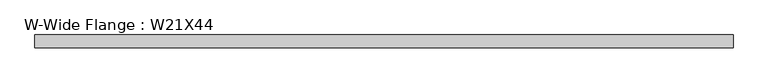
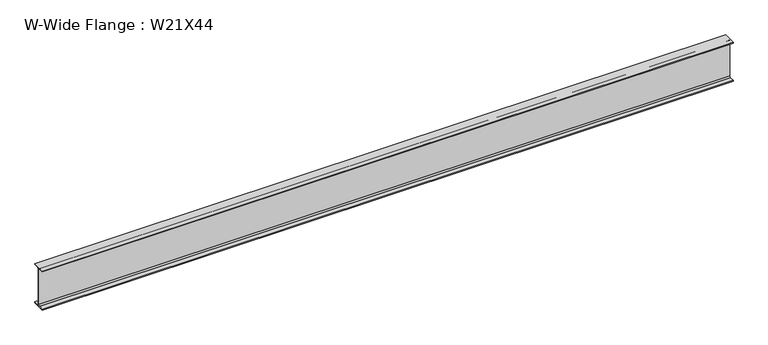
"""IFC4 building model written with IfcOpenShell, lengths in millimetres: beam geometry, W-Wide Flange : W21X44."""

from ifc_helpers import new_model, si_unit, point, frame, frame_2d, origin, place, context, project, spatial, polyline, circle_curve, trimmed, segment, composite_curve, outline, extrude, source, transform, mapped, element, save


def w_wide_flange_w21x44_659b5c2a(model_context):
    return source(origin(), model_context, "Body", "SweptSolid", [
        extrude(outline(composite_curve([segment(polyline([(82.55, -251.4699219), (82.55, -262.8800781), (-82.55, -262.8800781), (-82.55, -251.4699219), (-21.6296875, -251.4699219)]), True, "CONTINUOUS"), segment(trimmed(circle_curve(frame_2d((-21.6296875, -234.3050781)), 17.1648437), [point((-21.6296875, -251.4699219))], [point((-4.4648438, -234.3050781))], True, "CARTESIAN"), True, "CONTINUOUS"), segment(polyline([(-4.4648438, -234.3050781), (-4.4648438, 234.3050781)]), True, "CONTINUOUS"), segment(trimmed(circle_curve(frame_2d((-21.6296875, 234.3050781)), 17.1648437), [point((-4.4648438, 234.3050781))], [point((-21.6296875, 251.4699219))], True, "CARTESIAN"), True, "CONTINUOUS"), segment(polyline([(-21.6296875, 251.4699219), (-82.55, 251.4699219), (-82.55, 262.8800781), (82.55, 262.8800781), (82.55, 251.4699219), (21.6296875, 251.4699219)]), True, "CONTINUOUS"), segment(trimmed(circle_curve(frame_2d((21.6296875, 234.3050781)), 17.1648437), [point((21.6296875, 251.4699219))], [point((4.4648437, 234.3050781))], True, "CARTESIAN"), True, "CONTINUOUS"), segment(polyline([(4.4648437, 234.3050781), (4.4648437, -234.3050781)]), True, "CONTINUOUS"), segment(trimmed(circle_curve(frame_2d((21.6296875, -234.3050781)), 17.1648437), [point((4.4648437, -234.3050781))], [point((21.6296875, -251.4699219))], True, "CARTESIAN"), True, "CONTINUOUS"), segment(polyline([(21.6296875, -251.4699219), (82.55, -251.4699219)]), True, "CONTINUOUS")], self_intersect=False)), frame((-4405.6101563, 0.0, 0.0), z_axis=(1.0, 0.0, 0.0), x_axis=(0.0, 1.0, 0.0)), (0.0, 0.0, 1.0), 8811.2203125),
    ])


if __name__ == "__main__":
    model = new_model("IFC4")
    model_context = context("Model", 3, world=origin())
    ifc_project = project(units=[si_unit("LENGTHUNIT", "METRE", prefix="MILLI")], contexts=[model_context])
    site = spatial("IfcSite", under=ifc_project)
    building = spatial("IfcBuilding", under=site)
    placement = place(None, origin())
    w_wide_flange_w21x44_shape = w_wide_flange_w21x44_659b5c2a(model_context)
    element("IfcBeam", 1, ObjectType="W-Wide Flange : W21X44", at=placement, inside=building, context=model_context, shape_type="MappedRepresentation", body=[
        mapped(w_wide_flange_w21x44_shape, transform((0.0, 0.0, 0.0), x_axis=(1.0, 0.0, 0.0), y_axis=(0.0, 1.0, 0.0), z_axis=(0.0, 0.0, 1.0))),
    ])
    save(model, "model.ifc")
